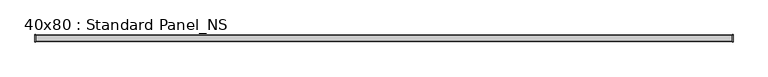
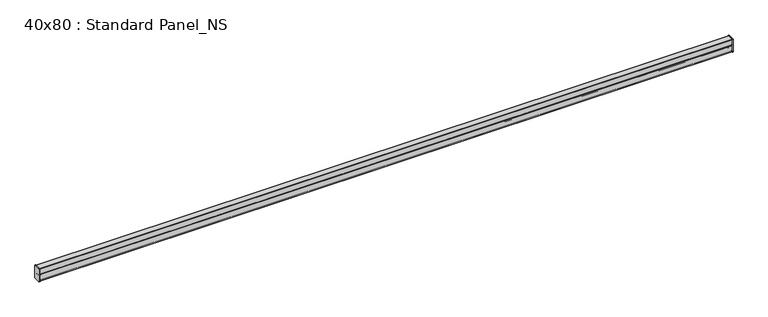
"""IFC4 building model written with IfcOpenShell, lengths in millimetres: proxy geometry, 40x80 : Standard Panel_NS."""

from ifc_helpers import new_model, si_unit, point, frame, frame_2d, origin, place, context, project, spatial, polyline, circle_curve, trimmed, segment, composite_curve, outline, extrude, source, transform, mapped, element, save


def proxy_40x80_standard_panel_ns_4d6f7a93(model_context):
    return source(origin(), model_context, "Body", "SweptSolid", [
        extrude(outline(composite_curve([segment(trimmed(circle_curve(frame_2d((18.35, 78.35)), 3.65), [point((18.35, 82.0))], [point((22.0, 78.35))], False, "CARTESIAN"), True, "CONTINUOUS"), segment(polyline([(22.0, 78.35), (22.0, 1.65)]), True, "CONTINUOUS"), segment(trimmed(circle_curve(frame_2d((18.35, 1.65)), 3.65), [point((22.0, 1.65))], [point((18.35, -2.0))], False, "CARTESIAN"), True, "CONTINUOUS"), segment(polyline([(18.35, -2.0), (-18.35, -2.0)]), True, "CONTINUOUS"), segment(trimmed(circle_curve(frame_2d((-18.35, 1.65)), 3.65), [point((-18.35, -2.0))], [point((-22.0, 1.65))], False, "CARTESIAN"), True, "CONTINUOUS"), segment(polyline([(-22.0, 1.65), (-22.0, 78.35)]), True, "CONTINUOUS"), segment(trimmed(circle_curve(frame_2d((-18.35, 78.35)), 3.65), [point((-22.0, 78.35))], [point((-18.35, 82.0))], False, "CARTESIAN"), True, "CONTINUOUS"), segment(polyline([(-18.35, 82.0), (18.35, 82.0)]), True, "CONTINUOUS")], self_intersect=False)), frame((-4.0, 0.0, 0.0), z_axis=(1.0, 0.0, 0.0), x_axis=(0.0, 1.0, 0.0)), (0.0, 0.0, 1.0), 4.0),
        extrude(outline(composite_curve([segment(polyline([(-18.35, 82.0), (18.35, 82.0)]), True, "CONTINUOUS"), segment(trimmed(circle_curve(frame_2d((18.35, 78.35)), 3.65), [point((18.35, 82.0))], [point((22.0, 78.35))], False, "CARTESIAN"), True, "CONTINUOUS"), segment(polyline([(22.0, 78.35), (22.0, 1.65)]), True, "CONTINUOUS"), segment(trimmed(circle_curve(frame_2d((18.35, 1.65)), 3.65), [point((22.0, 1.65))], [point((18.35, -2.0))], False, "CARTESIAN"), True, "CONTINUOUS"), segment(polyline([(18.35, -2.0), (-18.35, -2.0)]), True, "CONTINUOUS"), segment(trimmed(circle_curve(frame_2d((-18.35, 1.65)), 3.65), [point((-18.35, -2.0))], [point((-22.0, 1.65))], False, "CARTESIAN"), True, "CONTINUOUS"), segment(polyline([(-22.0, 1.65), (-22.0, 78.35)]), True, "CONTINUOUS"), segment(trimmed(circle_curve(frame_2d((-18.35, 78.35)), 3.65), [point((-22.0, 78.35))], [point((-18.35, 82.0))], False, "CARTESIAN"), True, "CONTINUOUS")], self_intersect=False)), frame((4200.0, 0.0, 0.0), z_axis=(1.0, 0.0, 0.0), x_axis=(0.0, 1.0, 0.0)), (0.0, 0.0, 1.0), 4.0),
        extrude(outline(composite_curve([segment(trimmed(circle_curve(frame_2d((-16.6428932, 20.1033442)), 1.65), [point((-18.2928932, 20.1033442))], [point((-17.8096194, 21.2700704))], False, "CARTESIAN"), True, "CONTINUOUS"), segment(polyline([(-17.8096194, 21.2700704), (-7.6862915, 31.3933983)]), True, "CONTINUOUS"), segment(trimmed(circle_curve(frame_2d((-8.3933983, 32.1005051)), 1.0), [point((-7.6862915, 31.3933983))], [point((-7.6862915, 32.8076118))], True, "CARTESIAN"), True, "CONTINUOUS"), segment(polyline([(-7.6862915, 32.8076118), (-19.5167262, 44.6380465)]), True, "CONTINUOUS"), segment(trimmed(circle_curve(frame_2d((-18.35, 45.8047727)), 1.65), [point((-19.5167262, 44.6380465))], [point((-20.0, 45.8047727))], False, "CARTESIAN"), True, "CONTINUOUS"), segment(polyline([(-20.0, 45.8047727), (-20.0, 78.4713203)]), True, "CONTINUOUS"), segment(trimmed(circle_curve(frame_2d((-18.35, 78.4713203)), 1.65), [point((-20.0, 78.4713203))], [point((-18.35, 80.1213203))], False, "CARTESIAN"), True, "CONTINUOUS"), segment(polyline([(-18.35, 80.1213203), (18.35, 80.1213203)]), True, "CONTINUOUS"), segment(trimmed(circle_curve(frame_2d((18.35, 78.4713203)), 1.65), [point((18.35, 80.1213203))], [point((20.0, 78.4713203))], False, "CARTESIAN"), True, "CONTINUOUS"), segment(polyline([(20.0, 78.4713203), (20.0, 45.8047727)]), True, "CONTINUOUS"), segment(trimmed(circle_curve(frame_2d((18.35, 45.8047727)), 1.65), [point((20.0, 45.8047727))], [point((19.5167262, 44.6380465))], False, "CARTESIAN"), True, "CONTINUOUS"), segment(polyline([(19.5167262, 44.6380465), (7.6862915, 32.8076118)]), True, "CONTINUOUS"), segment(trimmed(circle_curve(frame_2d((8.3933983, 32.1005051)), 1.0), [point((7.6862915, 32.8076118))], [point((7.6862915, 31.3933983))], True, "CARTESIAN"), True, "CONTINUOUS"), segment(polyline([(7.6862915, 31.3933983), (17.8096194, 21.2700704)]), True, "CONTINUOUS"), segment(trimmed(circle_curve(frame_2d((16.6428932, 20.1033442)), 1.65), [point((17.8096194, 21.2700704))], [point((18.2928932, 20.1033442))], False, "CARTESIAN"), True, "CONTINUOUS"), segment(polyline([(18.2928932, 20.1033442), (18.2928932, 5.786798)]), True, "CONTINUOUS"), segment(trimmed(circle_curve(frame_2d((16.7928932, 5.786798)), 1.5), [point((18.2928932, 5.786798))], [point((15.2928932, 5.786798))], False, "CARTESIAN"), True, "CONTINUOUS"), segment(polyline([(15.2928932, 5.786798), (15.2928932, 14.286798), (16.2928932, 14.286798), (16.2928932, 5.786798)]), True, "CONTINUOUS"), segment(trimmed(circle_curve(frame_2d((16.7928932, 5.786798)), 0.5), [point((16.2928932, 5.786798))], [point((17.2928932, 5.786798))], True, "CARTESIAN"), True, "CONTINUOUS"), segment(polyline([(17.2928932, 5.786798), (17.2928932, 20.372583), (6.9791847, 30.6862915)]), True, "CONTINUOUS"), segment(trimmed(circle_curve(frame_2d((8.3933983, 32.1005051)), 2.0), [point((6.9791847, 30.6862915))], [point((6.9791847, 33.5147186))], False, "CARTESIAN"), True, "CONTINUOUS"), segment(polyline([(6.9791847, 33.5147186), (19.0, 45.5355339), (19.0, 78.4713203)]), True, "CONTINUOUS"), segment(trimmed(circle_curve(frame_2d((18.35, 78.4713203)), 0.65), [point((19.0, 78.4713203))], [point((18.35, 79.1213203))], True, "CARTESIAN"), True, "CONTINUOUS"), segment(polyline([(18.35, 79.1213203), (-18.35, 79.1213203)]), True, "CONTINUOUS"), segment(trimmed(circle_curve(frame_2d((-18.35, 78.4713203)), 0.65), [point((-18.35, 79.1213203))], [point((-19.0, 78.4713203))], True, "CARTESIAN"), True, "CONTINUOUS"), segment(polyline([(-19.0, 78.4713203), (-19.0, 45.5355339), (-6.9791847, 33.5147186)]), True, "CONTINUOUS"), segment(trimmed(circle_curve(frame_2d((-8.3933983, 32.1005051)), 2.0), [point((-6.9791847, 33.5147186))], [point((-6.9791847, 30.6862915))], False, "CARTESIAN"), True, "CONTINUOUS"), segment(polyline([(-6.9791847, 30.6862915), (-17.2928932, 20.372583), (-17.2928932, 5.786798)]), True, "CONTINUOUS"), segment(trimmed(circle_curve(frame_2d((-16.7928932, 5.786798)), 0.5), [point((-17.2928932, 5.786798))], [point((-16.2928932, 5.786798))], True, "CARTESIAN"), True, "CONTINUOUS"), segment(polyline([(-16.2928932, 5.786798), (-16.2928932, 14.286798), (-15.2928932, 14.286798), (-15.2928932, 5.786798)]), True, "CONTINUOUS"), segment(trimmed(circle_curve(frame_2d((-16.7928932, 5.786798)), 1.5), [point((-15.2928932, 5.786798))], [point((-18.2928932, 5.786798))], False, "CARTESIAN"), True, "CONTINUOUS"), segment(polyline([(-18.2928932, 5.786798), (-18.2928932, 20.1033442)]), True, "CONTINUOUS")], self_intersect=False)), frame((0.0, 0.0, 0.0), z_axis=(1.0, 0.0, 0.0), x_axis=(0.0, 1.0, 0.0)), (0.0, 0.0, 1.0), 4200.0),
        extrude(outline(composite_curve([segment(trimmed(circle_curve(frame_2d((18.5, 40.5)), 1.5), [point((17.0, 40.5))], [point((20.0, 40.5))], False, "CARTESIAN"), True, "CONTINUOUS"), segment(polyline([(20.0, 40.5), (20.0, 1.65)]), True, "CONTINUOUS"), segment(trimmed(circle_curve(frame_2d((18.35, 1.65)), 1.65), [point((20.0, 1.65))], [point((18.35, 0.0))], False, "CARTESIAN"), True, "CONTINUOUS"), segment(polyline([(18.35, 0.0), (-18.35, 0.0)]), True, "CONTINUOUS"), segment(trimmed(circle_curve(frame_2d((-18.35, 1.65)), 1.65), [point((-18.35, 0.0))], [point((-20.0, 1.65))], False, "CARTESIAN"), True, "CONTINUOUS"), segment(polyline([(-20.0, 1.65), (-20.0, 40.5)]), True, "CONTINUOUS"), segment(trimmed(circle_curve(frame_2d((-18.5, 40.5)), 1.5), [point((-20.0, 40.5))], [point((-17.0, 40.5))], False, "CARTESIAN"), True, "CONTINUOUS"), segment(polyline([(-17.0, 40.5), (-17.0, 27.0), (-18.0, 27.0), (-18.0, 40.5)]), True, "CONTINUOUS"), segment(trimmed(circle_curve(frame_2d((-18.5, 40.5)), 0.5), [point((-18.0, 40.5))], [point((-19.0, 40.5))], True, "CARTESIAN"), True, "CONTINUOUS"), segment(polyline([(-19.0, 40.5), (-19.0, 1.65)]), True, "CONTINUOUS"), segment(trimmed(circle_curve(frame_2d((-18.35, 1.65)), 0.65), [point((-19.0, 1.65))], [point((-18.35, 1.0))], True, "CARTESIAN"), True, "CONTINUOUS"), segment(polyline([(-18.35, 1.0), (18.35, 1.0)]), True, "CONTINUOUS"), segment(trimmed(circle_curve(frame_2d((18.35, 1.65)), 0.65), [point((18.35, 1.0))], [point((19.0, 1.65))], True, "CARTESIAN"), True, "CONTINUOUS"), segment(polyline([(19.0, 1.65), (19.0, 40.5)]), True, "CONTINUOUS"), segment(trimmed(circle_curve(frame_2d((18.5, 40.5)), 0.5), [point((19.0, 40.5))], [point((18.0, 40.5))], True, "CARTESIAN"), True, "CONTINUOUS"), segment(polyline([(18.0, 40.5), (18.0, 27.0), (17.0, 27.0), (17.0, 40.5)]), True, "CONTINUOUS")], self_intersect=False)), frame((0.0, 0.0, 0.0), z_axis=(1.0, 0.0, 0.0), x_axis=(0.0, 1.0, 0.0)), (0.0, 0.0, 1.0), 4200.0),
    ])


if __name__ == "__main__":
    model = new_model("IFC4")
    model_context = context("Model", 3, world=origin())
    ifc_project = project(units=[si_unit("LENGTHUNIT", "METRE", prefix="MILLI")], contexts=[model_context])
    site = spatial("IfcSite", under=ifc_project)
    building = spatial("IfcBuilding", under=site)
    placement = place(None, origin())
    proxy_40x80_standard_panel_ns_shape = proxy_40x80_standard_panel_ns_4d6f7a93(model_context)
    element("IfcBuildingElementProxy", 1, Name="40x80 : Standard Panel_NS", ObjectType="40x80 : Standard Panel_NS", at=placement, inside=building, context=model_context, shape_type="MappedRepresentation", body=[
        mapped(proxy_40x80_standard_panel_ns_shape, transform((0.0, 0.0, 0.0), x_axis=(1.0, 0.0, 0.0), y_axis=(0.0, 1.0, 0.0), z_axis=(0.0, 0.0, 1.0))),
    ])
    save(model, "model.ifc")
